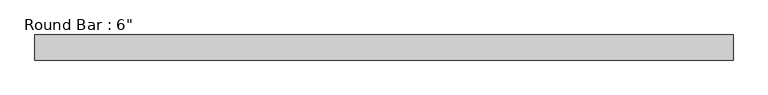
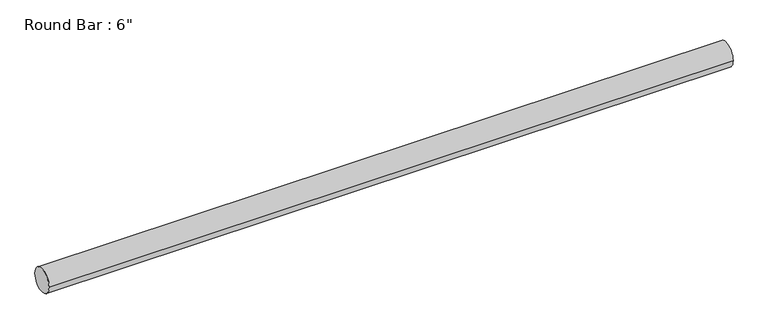
"""IFC4 building model written with IfcOpenShell, lengths in millimetres: beam geometry."""

import ifcopenshell
import ifcopenshell.guid

model = None  # the IFC model being written
_history = None  # IfcOwnerHistory: only IFC2X3 demands one
_inside = {}  # id of a spatial element -> (the spatial element, [elements in it])
_under = {}  # id of a project, library or spatial element -> (it, [spatial elements below it])
_declared = {}  # id of a project -> (the project, [libraries it declares])
_typed = {}  # id of a type object -> (the type object, [elements of that type])
_made_of = {}  # id of a material, layer set ... -> (it, [elements and type objects made of it])


def new_model(schema):
    """Start an empty IFC model of exactly this schema.

    Asked for "IFC4X3", IfcOpenShell would pick the latest addendum, in which some entities
    have other attributes; the version numbers below select the first issue.
    IFC2X3 requires an IfcOwnerHistory on every rooted entity: one is made here for all.
    """
    global model, _history
    if schema == "IFC4X3":
        model = ifcopenshell.file(schema_version=(4, 3, 0, 0))
    else:
        model = ifcopenshell.file(schema=schema)
    _inside.clear()
    _under.clear()
    _declared.clear()
    _typed.clear()
    _made_of.clear()
    _history = None
    if model.schema == "IFC2X3":
        org = make("IfcOrganization", Name="unknown")
        user = make(
            "IfcPersonAndOrganization",
            ThePerson=make("IfcPerson", FamilyName="unknown"),
            TheOrganization=org,
        )
        app = make(
            "IfcApplication",
            ApplicationDeveloper=org,
            Version="unknown",
            ApplicationFullName="unknown",
            ApplicationIdentifier="unknown",
        )
        _history = make(
            "IfcOwnerHistory",
            OwningUser=user,
            OwningApplication=app,
            ChangeAction="ADDED",
            CreationDate=0,
        )
    return model


def make(cls, **values):
    """One entity of the class cls with the attributes given. An attribute that is None is left unset."""
    return model.create_entity(
        cls, **{name: value for name, value in values.items() if value is not None}
    )


def rooted(cls, **values):
    """An entity with a GlobalId (a new one), such as an element, a storey or a relation."""
    return make(cls, GlobalId=ifcopenshell.guid.new(), OwnerHistory=_history, **values)


def si_unit(unit_type, name, prefix=None):
    """IfcSIUnit, for example si_unit("LENGTHUNIT", "METRE", prefix="MILLI")."""
    return make("IfcSIUnit", UnitType=unit_type, Prefix=prefix, Name=name)


def assignment(units):
    """IfcUnitAssignment: the units of a project."""
    return None if units is None else make("IfcUnitAssignment", Units=units)


def point(xyz):
    """IfcCartesianPoint."""
    return None if xyz is None else make("IfcCartesianPoint", Coordinates=xyz)


def direction(xyz):
    """IfcDirection."""
    return None if xyz is None else make("IfcDirection", DirectionRatios=xyz)


def frame(location, z_axis=None, x_axis=None):
    """IfcAxis2Placement3D, a coordinate frame: its origin and axes. An axis left out is left unset."""
    return make(
        "IfcAxis2Placement3D",
        Location=point(location),
        Axis=direction(z_axis),
        RefDirection=direction(x_axis),
    )


def frame_2d(location, x_axis=None):
    """IfcAxis2Placement2D, a coordinate frame in the plane: its origin and x axis."""
    return make(
        "IfcAxis2Placement2D", Location=point(location), RefDirection=direction(x_axis)
    )


def origin():
    """The frame at (0, 0, 0) with its axes left unset."""
    return frame((0.0, 0.0, 0.0))


def origin_2d():
    """The frame at (0, 0) in the plane with its x axis left unset."""
    return frame_2d((0.0, 0.0))


def place(relative_to, where):
    """IfcLocalPlacement: puts the frame where relative to a parent placement (None: the world)."""
    return make(
        "IfcLocalPlacement", PlacementRelTo=relative_to, RelativePlacement=where
    )


def context(
    kind, dimensions, precision=None, world=None, true_north=None, identifier=None
):
    """IfcGeometricRepresentationContext, for example the 3D "Model" context."""
    return make(
        "IfcGeometricRepresentationContext",
        ContextIdentifier=identifier,
        ContextType=kind,
        CoordinateSpaceDimension=dimensions,
        Precision=precision,
        WorldCoordinateSystem=world,
        TrueNorth=true_north,
    )


def project(units=None, contexts=None):
    """IfcProject with its units and contexts."""
    return rooted(
        "IfcProject",
        Name="project",
        RepresentationContexts=contexts,
        UnitsInContext=assignment(units),
    )


def spatial(cls, under=None, at=None, **own):
    """A site, building, storey or space (cls), placed at a placement, below another one or the project."""
    s = rooted(cls, ObjectPlacement=at, **own)
    if under is not None:
        _under.setdefault(under.id(), (under, []))[1].append(s)
    return s


def circle_curve(where, radius):
    """IfcCircle in the frame where."""
    return make("IfcCircle", Position=where, Radius=radius)


def trimmed(basis, trim1, trim2, sense, master):
    """IfcTrimmedCurve: the piece of a basis curve between two trims."""
    return make(
        "IfcTrimmedCurve",
        BasisCurve=basis,
        Trim1=trim1,
        Trim2=trim2,
        SenseAgreement=sense,
        MasterRepresentation=master,
    )


def segment(curve, same_sense, transition):
    """IfcCompositeCurveSegment."""
    return make(
        "IfcCompositeCurveSegment",
        Transition=transition,
        SameSense=same_sense,
        ParentCurve=curve,
    )


def composite_curve(segments, self_intersect=None):
    """IfcCompositeCurve: segments joined end to end."""
    return make("IfcCompositeCurve", Segments=segments, SelfIntersect=self_intersect)


def outline(outer, holes=None, kind="AREA"):
    """IfcArbitraryClosedProfileDef: a profile drawn as a closed curve; with holes, ...WithVoids."""
    if holes is None:
        return make("IfcArbitraryClosedProfileDef", ProfileType=kind, OuterCurve=outer)
    return make(
        "IfcArbitraryProfileDefWithVoids",
        ProfileType=kind,
        OuterCurve=outer,
        InnerCurves=holes,
    )


def extrude(swept, where, along, depth):
    """IfcExtrudedAreaSolid: the profile swept, set in the frame where, extruded along a direction by depth."""
    return make(
        "IfcExtrudedAreaSolid",
        SweptArea=swept,
        Position=where,
        ExtrudedDirection=direction(along),
        Depth=depth,
    )


def shape(context_of_items, identifier, shape_type, items):
    """IfcShapeRepresentation: the items that make up one representation, for example the "Body"."""
    return make(
        "IfcShapeRepresentation",
        ContextOfItems=context_of_items,
        RepresentationIdentifier=identifier,
        RepresentationType=shape_type,
        Items=items,
    )


def source(mapping_origin, context_of_items, identifier, shape_type, items):
    """IfcRepresentationMap: a shape defined once, which mapped items show again and again."""
    return make(
        "IfcRepresentationMap",
        MappingOrigin=mapping_origin,
        MappedRepresentation=shape(context_of_items, identifier, shape_type, items),
    )


def transform(
    local_origin,
    x_axis=None,
    y_axis=None,
    z_axis=None,
    scale=None,
    scale2=None,
    scale3=None,
    uniform=True,
):
    """IfcCartesianTransformationOperator3D, or its non-uniform kind. x_axis, y_axis, z_axis: its Axis1, 2, 3."""
    if uniform:
        return make(
            "IfcCartesianTransformationOperator3D",
            Axis1=direction(x_axis),
            Axis2=direction(y_axis),
            LocalOrigin=point(local_origin),
            Scale=scale,
            Axis3=direction(z_axis),
        )
    return make(
        "IfcCartesianTransformationOperator3DnonUniform",
        Axis1=direction(x_axis),
        Axis2=direction(y_axis),
        LocalOrigin=point(local_origin),
        Scale=scale,
        Axis3=direction(z_axis),
        Scale2=scale2,
        Scale3=scale3,
    )


def mapped(mapping_source, mapping_target):
    """IfcMappedItem: shows the shape of a source again, moved by a transform."""
    return make(
        "IfcMappedItem", MappingSource=mapping_source, MappingTarget=mapping_target
    )


def made_of(thing, what):
    """Note that an element or type object is made of a material, layer set ...; save() writes the relation."""
    if what is not None:
        _made_of.setdefault(what.id(), (what, []))[1].append(thing)
    return thing


def element(
    cls,
    number,
    at=None,
    inside=None,
    cuts=None,
    type_object=None,
    material=None,
    context=None,
    identifier="Body",
    shape_type=None,
    held_by="IfcProductDefinitionShape",
    body=None,
    shapes=None,
    **own,
):
    """One element of the class cls, such as IfcWall. Its Tag is "e" and its number.

    at: its placement. inside: the storey or other place that contains it. cuts: it is an
    opening in that element (IfcRelVoidsElement). A single representation is given by context,
    identifier, shape_type and body (its items); several are given by shapes. held_by: the class
    of the entity that holds the representations. save() writes the other relations.
    """
    e = rooted(cls, Tag="e%d" % number, ObjectPlacement=at, **own)
    if body is not None:
        shapes = [shape(context, identifier, shape_type, body)]
    if shapes is not None:
        e.Representation = make(held_by, Representations=shapes)
    if inside is not None:
        _inside.setdefault(inside.id(), (inside, []))[1].append(e)
    if cuts is not None:
        rooted(
            "IfcRelVoidsElement", RelatingBuildingElement=cuts, RelatedOpeningElement=e
        )
    if type_object is not None:
        _typed.setdefault(type_object.id(), (type_object, []))[1].append(e)
    return made_of(e, material)


def aggregate(whole, parts):
    """IfcRelAggregates: a whole, such as a stair, and the parts it consists of."""
    return rooted("IfcRelAggregates", RelatingObject=whole, RelatedObjects=parts)


def save(model, path):
    """Write the relations noted so far, then the file.

    IfcRelAggregates (storeys below a building ...), IfcRelContainedInSpatialStructure (elements
    in a storey), IfcRelDefinesByType, IfcRelAssociatesMaterial and IfcRelDeclares: one each for
    every whole, place, type object, material and project.
    """
    for whole, parts in _under.values():
        aggregate(whole, parts)
    for where, things in _inside.values():
        rooted(
            "IfcRelContainedInSpatialStructure",
            RelatedElements=things,
            RelatingStructure=where,
        )
    for kind, things in _typed.values():
        rooted("IfcRelDefinesByType", RelatedObjects=things, RelatingType=kind)
    for what, things in _made_of.values():
        rooted("IfcRelAssociatesMaterial", RelatedObjects=things, RelatingMaterial=what)
    for by, libraries in _declared.values():
        rooted("IfcRelDeclares", RelatingContext=by, RelatedDefinitions=libraries)
    model.write(path)


def beam_2a949bef(model_context):
    return source(origin(), model_context, "Body", "SweptSolid", [
        extrude(outline(composite_curve([segment(trimmed(circle_curve(origin_2d(), 76.2), [point((-76.2, 0.0))], [point((76.2, 0.0))], False, "CARTESIAN"), True, "CONTINUOUS"), segment(trimmed(circle_curve(origin_2d(), 76.2), [point((76.2, 0.0))], [point((-76.2, 0.0))], False, "CARTESIAN"), True, "CONTINUOUS")], self_intersect=False)), frame((-2108.5209466, 0.0, 0.0), z_axis=(1.0, 0.0, 0.0), x_axis=(0.0, 1.0, 0.0)), (0.0, 0.0, 1.0), 4232.8276497),
    ])


if __name__ == "__main__":
    model = new_model("IFC4")
    model_context = context("Model", 3, world=origin())
    ifc_project = project(units=[si_unit("LENGTHUNIT", "METRE", prefix="MILLI")], contexts=[model_context])
    site = spatial("IfcSite", under=ifc_project)
    building = spatial("IfcBuilding", under=site)
    placement = place(None, origin())
    beam_shape = beam_2a949bef(model_context)
    element("IfcBeam", 1, ObjectType="Round Bar : 6\"", at=placement, inside=building, context=model_context, shape_type="MappedRepresentation", body=[
        mapped(beam_shape, transform((0.0, 0.0, 0.0), x_axis=(1.0, 0.0, 0.0), y_axis=(0.0, 1.0, 0.0), z_axis=(0.0, 0.0, 1.0))),
    ])
    save(model, "model.ifc")
